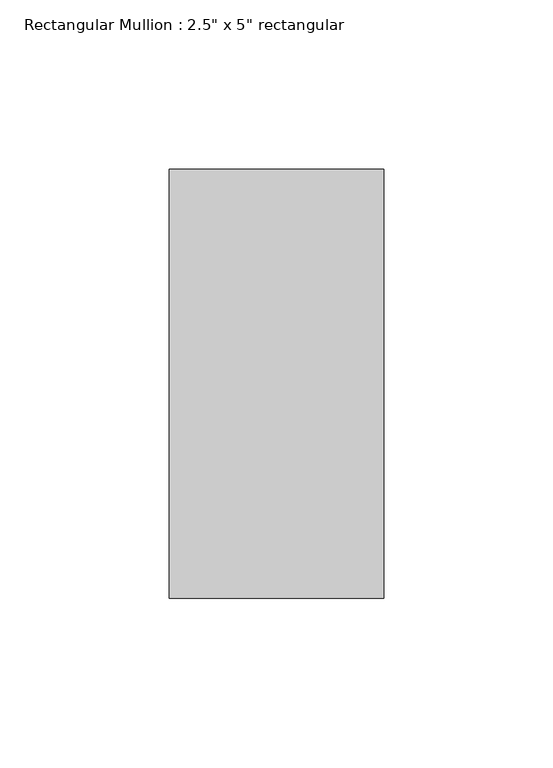
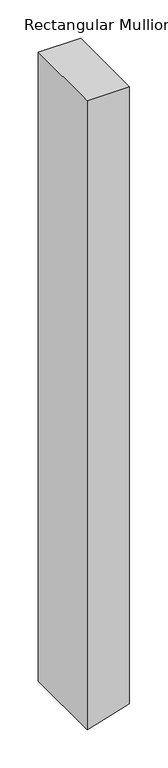
"""IFC4 building model written with IfcOpenShell, lengths in millimetres: member geometry."""

from ifc_helpers import new_model, si_unit, frame, origin, place, context, project, spatial, polyline, outline, extrude, source, transform, mapped, element, save


def member_b0be14f0(model_context):
    return source(origin(), model_context, "Body", "SweptSolid", [
        extrude(outline(polyline([(0.0, 31.75), (0.0, -31.75), (-999.5817516, -31.75), (-995.5157668, -17.9669194), (-980.849362, 31.75), (0.0, 31.75)])), frame((0.0, -63.5, 0.0), z_axis=(0.0, 1.0, 0.0), x_axis=(0.0, 0.0, 1.0)), (0.0, 0.0, 1.0), 127.0),
    ])


if __name__ == "__main__":
    model = new_model("IFC4")
    model_context = context("Model", 3, world=origin())
    ifc_project = project(units=[si_unit("LENGTHUNIT", "METRE", prefix="MILLI")], contexts=[model_context])
    site = spatial("IfcSite", under=ifc_project)
    building = spatial("IfcBuilding", under=site)
    placement = place(None, origin())
    member_shape = member_b0be14f0(model_context)
    element("IfcMember", 1, ObjectType="Rectangular Mullion : 2.5\" x 5\" rectangular", at=placement, inside=building, context=model_context, shape_type="MappedRepresentation", body=[
        mapped(member_shape, transform((0.0, 0.0, 0.0), x_axis=(1.0, 0.0, 0.0), y_axis=(0.0, 1.0, 0.0), z_axis=(0.0, 0.0, 1.0))),
    ])
    save(model, "model.ifc")
